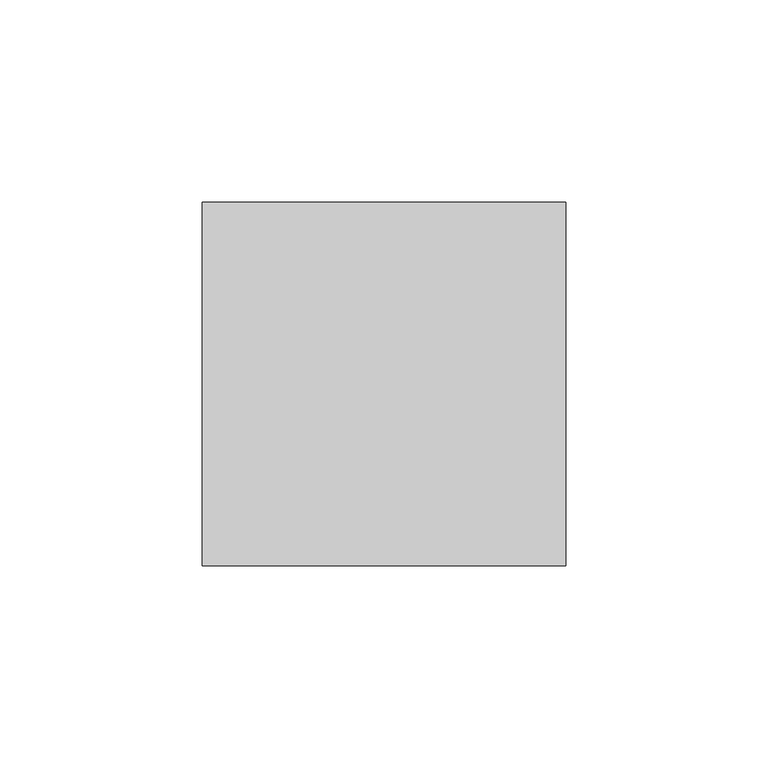
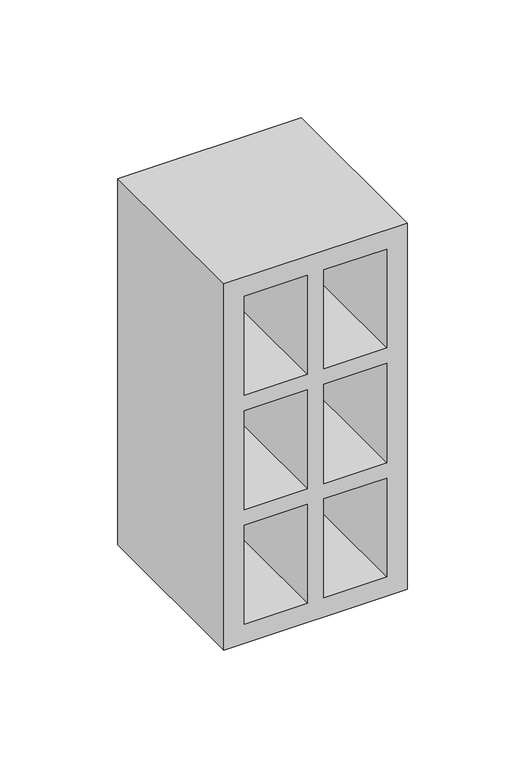
"""IFC4 building model written with IfcOpenShell, lengths in millimetres: proxy geometry."""

import ifcopenshell
import ifcopenshell.guid

model = None  # the IFC model being written
_history = None  # IfcOwnerHistory: only IFC2X3 demands one
_inside = {}  # id of a spatial element -> (the spatial element, [elements in it])
_under = {}  # id of a project, library or spatial element -> (it, [spatial elements below it])
_declared = {}  # id of a project -> (the project, [libraries it declares])
_typed = {}  # id of a type object -> (the type object, [elements of that type])
_made_of = {}  # id of a material, layer set ... -> (it, [elements and type objects made of it])


def new_model(schema):
    """Start an empty IFC model of exactly this schema.

    Asked for "IFC4X3", IfcOpenShell would pick the latest addendum, in which some entities
    have other attributes; the version numbers below select the first issue.
    IFC2X3 requires an IfcOwnerHistory on every rooted entity: one is made here for all.
    """
    global model, _history
    if schema == "IFC4X3":
        model = ifcopenshell.file(schema_version=(4, 3, 0, 0))
    else:
        model = ifcopenshell.file(schema=schema)
    _inside.clear()
    _under.clear()
    _declared.clear()
    _typed.clear()
    _made_of.clear()
    _history = None
    if model.schema == "IFC2X3":
        org = make("IfcOrganization", Name="unknown")
        user = make(
            "IfcPersonAndOrganization",
            ThePerson=make("IfcPerson", FamilyName="unknown"),
            TheOrganization=org,
        )
        app = make(
            "IfcApplication",
            ApplicationDeveloper=org,
            Version="unknown",
            ApplicationFullName="unknown",
            ApplicationIdentifier="unknown",
        )
        _history = make(
            "IfcOwnerHistory",
            OwningUser=user,
            OwningApplication=app,
            ChangeAction="ADDED",
            CreationDate=0,
        )
    return model


def make(cls, **values):
    """One entity of the class cls with the attributes given. An attribute that is None is left unset."""
    return model.create_entity(
        cls, **{name: value for name, value in values.items() if value is not None}
    )


def rooted(cls, **values):
    """An entity with a GlobalId (a new one), such as an element, a storey or a relation."""
    return make(cls, GlobalId=ifcopenshell.guid.new(), OwnerHistory=_history, **values)


def si_unit(unit_type, name, prefix=None):
    """IfcSIUnit, for example si_unit("LENGTHUNIT", "METRE", prefix="MILLI")."""
    return make("IfcSIUnit", UnitType=unit_type, Prefix=prefix, Name=name)


def assignment(units):
    """IfcUnitAssignment: the units of a project."""
    return None if units is None else make("IfcUnitAssignment", Units=units)


def point(xyz):
    """IfcCartesianPoint."""
    return None if xyz is None else make("IfcCartesianPoint", Coordinates=xyz)


def direction(xyz):
    """IfcDirection."""
    return None if xyz is None else make("IfcDirection", DirectionRatios=xyz)


def frame(location, z_axis=None, x_axis=None):
    """IfcAxis2Placement3D, a coordinate frame: its origin and axes. An axis left out is left unset."""
    return make(
        "IfcAxis2Placement3D",
        Location=point(location),
        Axis=direction(z_axis),
        RefDirection=direction(x_axis),
    )


def origin():
    """The frame at (0, 0, 0) with its axes left unset."""
    return frame((0.0, 0.0, 0.0))


def place(relative_to, where):
    """IfcLocalPlacement: puts the frame where relative to a parent placement (None: the world)."""
    return make(
        "IfcLocalPlacement", PlacementRelTo=relative_to, RelativePlacement=where
    )


def context(
    kind, dimensions, precision=None, world=None, true_north=None, identifier=None
):
    """IfcGeometricRepresentationContext, for example the 3D "Model" context."""
    return make(
        "IfcGeometricRepresentationContext",
        ContextIdentifier=identifier,
        ContextType=kind,
        CoordinateSpaceDimension=dimensions,
        Precision=precision,
        WorldCoordinateSystem=world,
        TrueNorth=true_north,
    )


def project(units=None, contexts=None):
    """IfcProject with its units and contexts."""
    return rooted(
        "IfcProject",
        Name="project",
        RepresentationContexts=contexts,
        UnitsInContext=assignment(units),
    )


def spatial(cls, under=None, at=None, **own):
    """A site, building, storey or space (cls), placed at a placement, below another one or the project."""
    s = rooted(cls, ObjectPlacement=at, **own)
    if under is not None:
        _under.setdefault(under.id(), (under, []))[1].append(s)
    return s


def polyline(points):
    """IfcPolyline through the points."""
    return make("IfcPolyline", Points=[point(p) for p in points])


def outline(outer, holes=None, kind="AREA"):
    """IfcArbitraryClosedProfileDef: a profile drawn as a closed curve; with holes, ...WithVoids."""
    if holes is None:
        return make("IfcArbitraryClosedProfileDef", ProfileType=kind, OuterCurve=outer)
    return make(
        "IfcArbitraryProfileDefWithVoids",
        ProfileType=kind,
        OuterCurve=outer,
        InnerCurves=holes,
    )


def extrude(swept, where, along, depth):
    """IfcExtrudedAreaSolid: the profile swept, set in the frame where, extruded along a direction by depth."""
    return make(
        "IfcExtrudedAreaSolid",
        SweptArea=swept,
        Position=where,
        ExtrudedDirection=direction(along),
        Depth=depth,
    )


def shape(context_of_items, identifier, shape_type, items):
    """IfcShapeRepresentation: the items that make up one representation, for example the "Body"."""
    return make(
        "IfcShapeRepresentation",
        ContextOfItems=context_of_items,
        RepresentationIdentifier=identifier,
        RepresentationType=shape_type,
        Items=items,
    )


def source(mapping_origin, context_of_items, identifier, shape_type, items):
    """IfcRepresentationMap: a shape defined once, which mapped items show again and again."""
    return make(
        "IfcRepresentationMap",
        MappingOrigin=mapping_origin,
        MappedRepresentation=shape(context_of_items, identifier, shape_type, items),
    )


def transform(
    local_origin,
    x_axis=None,
    y_axis=None,
    z_axis=None,
    scale=None,
    scale2=None,
    scale3=None,
    uniform=True,
):
    """IfcCartesianTransformationOperator3D, or its non-uniform kind. x_axis, y_axis, z_axis: its Axis1, 2, 3."""
    if uniform:
        return make(
            "IfcCartesianTransformationOperator3D",
            Axis1=direction(x_axis),
            Axis2=direction(y_axis),
            LocalOrigin=point(local_origin),
            Scale=scale,
            Axis3=direction(z_axis),
        )
    return make(
        "IfcCartesianTransformationOperator3DnonUniform",
        Axis1=direction(x_axis),
        Axis2=direction(y_axis),
        LocalOrigin=point(local_origin),
        Scale=scale,
        Axis3=direction(z_axis),
        Scale2=scale2,
        Scale3=scale3,
    )


def mapped(mapping_source, mapping_target):
    """IfcMappedItem: shows the shape of a source again, moved by a transform."""
    return make(
        "IfcMappedItem", MappingSource=mapping_source, MappingTarget=mapping_target
    )


def made_of(thing, what):
    """Note that an element or type object is made of a material, layer set ...; save() writes the relation."""
    if what is not None:
        _made_of.setdefault(what.id(), (what, []))[1].append(thing)
    return thing


def element(
    cls,
    number,
    at=None,
    inside=None,
    cuts=None,
    type_object=None,
    material=None,
    context=None,
    identifier="Body",
    shape_type=None,
    held_by="IfcProductDefinitionShape",
    body=None,
    shapes=None,
    **own,
):
    """One element of the class cls, such as IfcWall. Its Tag is "e" and its number.

    at: its placement. inside: the storey or other place that contains it. cuts: it is an
    opening in that element (IfcRelVoidsElement). A single representation is given by context,
    identifier, shape_type and body (its items); several are given by shapes. held_by: the class
    of the entity that holds the representations. save() writes the other relations.
    """
    e = rooted(cls, Tag="e%d" % number, ObjectPlacement=at, **own)
    if body is not None:
        shapes = [shape(context, identifier, shape_type, body)]
    if shapes is not None:
        e.Representation = make(held_by, Representations=shapes)
    if inside is not None:
        _inside.setdefault(inside.id(), (inside, []))[1].append(e)
    if cuts is not None:
        rooted(
            "IfcRelVoidsElement", RelatingBuildingElement=cuts, RelatedOpeningElement=e
        )
    if type_object is not None:
        _typed.setdefault(type_object.id(), (type_object, []))[1].append(e)
    return made_of(e, material)


def aggregate(whole, parts):
    """IfcRelAggregates: a whole, such as a stair, and the parts it consists of."""
    return rooted("IfcRelAggregates", RelatingObject=whole, RelatedObjects=parts)


def save(model, path):
    """Write the relations noted so far, then the file.

    IfcRelAggregates (storeys below a building ...), IfcRelContainedInSpatialStructure (elements
    in a storey), IfcRelDefinesByType, IfcRelAssociatesMaterial and IfcRelDeclares: one each for
    every whole, place, type object, material and project.
    """
    for whole, parts in _under.values():
        aggregate(whole, parts)
    for where, things in _inside.values():
        rooted(
            "IfcRelContainedInSpatialStructure",
            RelatedElements=things,
            RelatingStructure=where,
        )
    for kind, things in _typed.values():
        rooted("IfcRelDefinesByType", RelatedObjects=things, RelatingType=kind)
    for what, things in _made_of.values():
        rooted("IfcRelAssociatesMaterial", RelatedObjects=things, RelatingMaterial=what)
    for by, libraries in _declared.values():
        rooted("IfcRelDeclares", RelatingContext=by, RelatedDefinitions=libraries)
    model.write(path)


def generic_models_5876ba8b(model_context):
    return source(origin(), model_context, "Body", "SweptSolid", [
        extrude(outline(polyline([(0.0, 90.0), (190.0, 90.0), (190.0, 0.0), (0.0, 0.0), (0.0, 90.0)]), holes=[polyline([(10.0, 49.0), (61.3, 49.0), (61.3, 80.0), (10.0, 80.0), (10.0, 49.0)]), polyline([(10.0, 41.0), (10.0, 10.0), (61.3, 10.0), (61.3, 41.0), (10.0, 41.0)]), polyline([(180.0, 49.0), (180.0, 80.0), (128.7, 80.0), (128.7, 49.0), (180.0, 49.0)]), polyline([(180.0, 41.0), (128.7, 41.0), (128.7, 10.0), (180.0, 10.0), (180.0, 41.0)]), polyline([(69.3, 49.0), (120.7, 49.0), (120.7, 80.0), (69.3, 80.0), (69.3, 49.0)]), polyline([(69.3, 41.0), (69.3, 10.0), (120.7, 10.0), (120.7, 41.0), (69.3, 41.0)])]), frame((0.0, 0.0, 0.0), z_axis=(0.0, 1.0, 0.0), x_axis=(0.0, 0.0, 1.0)), (0.0, 0.0, 1.0), 90.0),
    ])


if __name__ == "__main__":
    model = new_model("IFC4")
    model_context = context("Model", 3, world=origin())
    ifc_project = project(units=[si_unit("LENGTHUNIT", "METRE", prefix="MILLI")], contexts=[model_context])
    site = spatial("IfcSite", under=ifc_project)
    building = spatial("IfcBuilding", under=site)
    placement = place(None, origin())
    generic_models_shape = generic_models_5876ba8b(model_context)
    element("IfcBuildingElementProxy", 1, Name="Generic Models", at=placement, inside=building, context=model_context, shape_type="MappedRepresentation", body=[
        mapped(generic_models_shape, transform((0.0, 0.0, 0.0), x_axis=(1.0, 0.0, 0.0), y_axis=(0.0, 1.0, 0.0), z_axis=(0.0, 0.0, 1.0))),
    ])
    save(model, "model.ifc")
